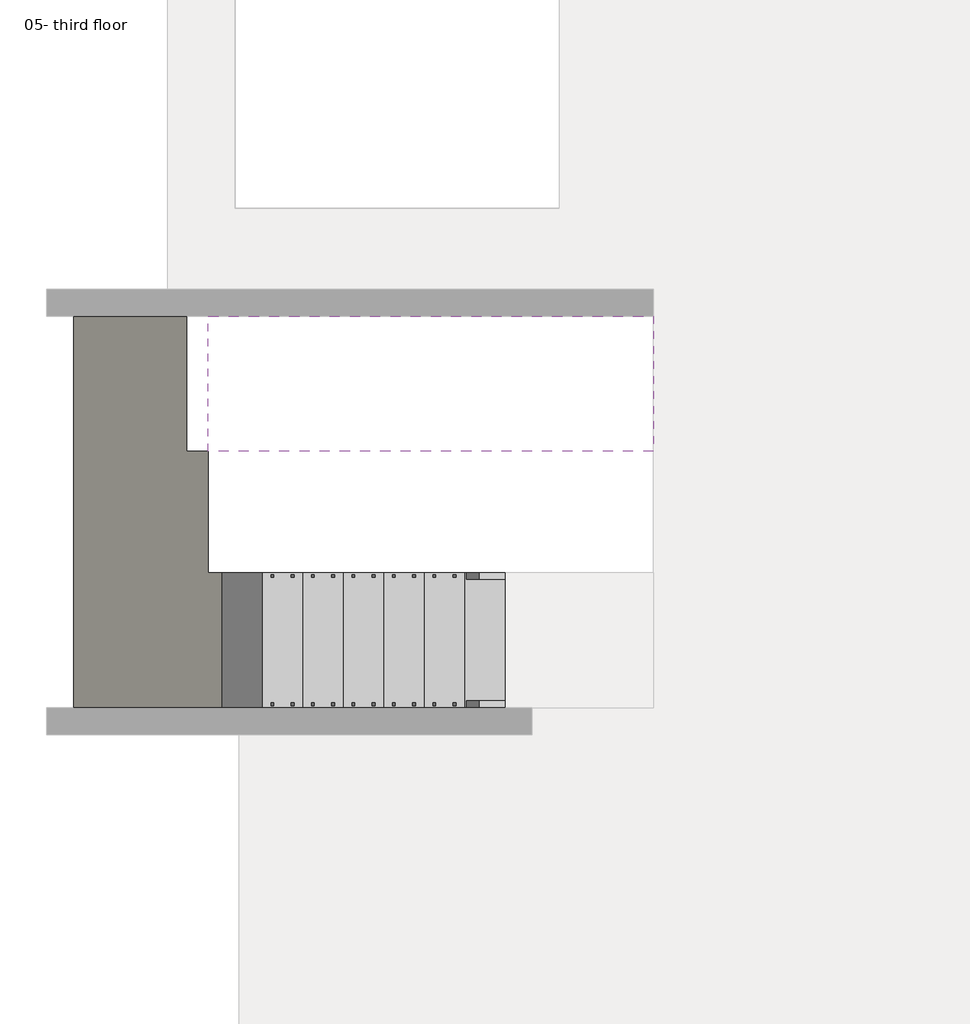
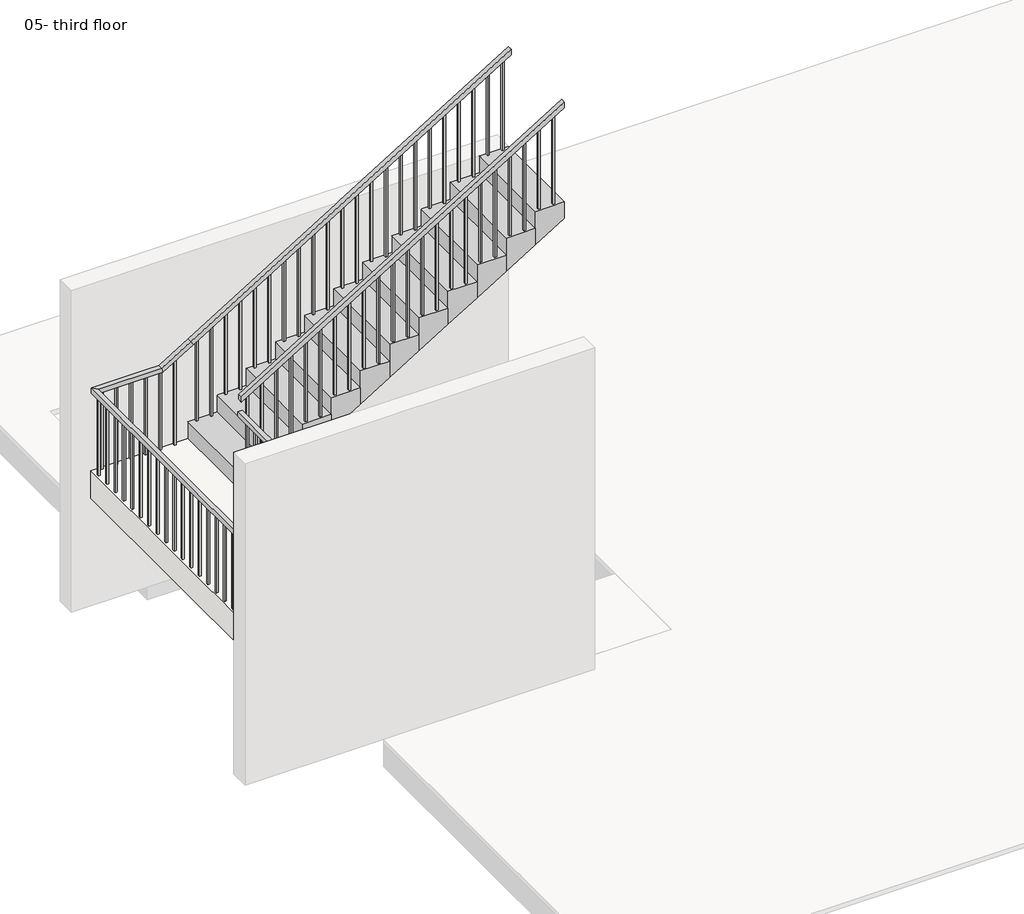
# One storey, part 5 of 5: 2 railings, 2 stair flights, 1 slab.
"""IFC4 building model written with IfcOpenShell, lengths in millimetres."""

from ifc_helpers import new_model, si_unit, frame, origin, place, context, project, spatial, polyline, outline, extrude, faceted_brep, element, save

model = new_model("IFC4")

# Units and contexts
model_context = context("Model", 3, world=origin())
ifc_project = project(units=[si_unit("LENGTHUNIT", "METRE", prefix="MILLI")], contexts=[model_context])

# Site, building, storey
site = spatial("IfcSite", under=ifc_project)
building = spatial("IfcBuilding", under=site)
storey = spatial("IfcBuildingStorey", under=building, Name="05- third floor", Elevation=10500.0)

# Railings
placement = place(None, origin())
element("IfcRailing", 1, ObjectType="900mm", at=placement, inside=storey, context=model_context, shape_type="SolidModel", body=[
    faceted_brep([(2250.0, -5847.2939341, 11584.2105263), (2250.0, -5847.2939341, 11525.5368719), (2250.0, -5797.2939341, 11525.5368719), (2250.0, -5797.2939341, 11584.2105263), (150.0, -5847.2939341, 12873.6842105), (135.8743343, -5847.2939341, 12823.6842105), (135.8743343, -5797.2939341, 12823.6842105), (150.0, -5797.2939341, 12873.6842105), (-0.4, -5847.2939341, 12873.6842105), (-0.4, -5847.2939341, 12823.6842105), (49.6, -5797.2939341, 12823.6842105), (49.6, -5797.2939341, 12873.6842105), (-0.4, -4871.493934, 12873.6842105), (49.6, -4871.493934, 12873.6842105), (49.6, -4871.493934, 12823.6842105), (-0.4, -4871.493934, 12823.6842105)], [[[0, 1, 2, 3]], [[1, 0, 4, 5]], [[2, 1, 5, 6]], [[3, 2, 6, 7]], [[0, 3, 7, 4]], [[5, 4, 8, 9]], [[6, 5, 9, 10]], [[7, 6, 10, 11]], [[4, 7, 11, 8]], [[12, 13, 14, 15]], [[9, 8, 12, 15]], [[10, 9, 15, 14]], [[11, 10, 14, 13]], [[8, 11, 13, 12]]]),
    faceted_brep([(24.6, -4846.493934, 13042.2982456), (24.6, -4846.493934, 12983.6245912), (24.6, -4896.493934, 12983.6245912), (24.6, -4896.493934, 13042.2982456), (3350.0, -4846.493934, 15084.2105263), (3350.0, -4896.493934, 15084.2105263), (3350.0, -4896.493934, 15025.5368719), (3350.0, -4846.493934, 15025.5368719)], [[[0, 1, 2, 3]], [[4, 5, 6, 7]], [[1, 0, 4, 7]], [[2, 1, 7, 6]], [[3, 2, 6, 5]], [[0, 3, 5, 4]]]),
    extrude(outline(polyline([(14957.7473982, 3239.6), (14000.0, 3239.6), (14000.0, 3259.6), (14970.0281, 3259.6), (14957.7473982, 3239.6)])), frame((0.0, -4881.493934, 0.0), z_axis=(0.0, 1.0, 0.0), x_axis=(0.0, 0.0, 1.0)), (0.0, 0.0, 1.0), 20.0),
    extrude(outline(polyline([(14865.6421351, 3089.6), (14000.0, 3089.6), (14000.0, 3109.6), (14877.9228368, 3109.6), (14865.6421351, 3089.6)])), frame((0.0, -4881.493934, 0.0), z_axis=(0.0, 1.0, 0.0), x_axis=(0.0, 0.0, 1.0)), (0.0, 0.0, 1.0), 20.0),
    extrude(outline(polyline([(14773.5368719, 2939.6), (13815.7894737, 2939.6), (13815.7894737, 2959.6), (14785.8175737, 2959.6), (14773.5368719, 2939.6)])), frame((0.0, -4881.493934, 0.0), z_axis=(0.0, 1.0, 0.0), x_axis=(0.0, 0.0, 1.0)), (0.0, 0.0, 1.0), 20.0),
    extrude(outline(polyline([(14681.4316087, 2789.6), (13815.7894737, 2789.6), (13815.7894737, 2809.6), (14693.7123105, 2809.6), (14681.4316087, 2789.6)])), frame((0.0, -4881.493934, 0.0), z_axis=(0.0, 1.0, 0.0), x_axis=(0.0, 0.0, 1.0)), (0.0, 0.0, 1.0), 20.0),
    extrude(outline(polyline([(14589.3263456, 2639.6), (13631.5789474, 2639.6), (13631.5789474, 2659.6), (14601.6070473, 2659.6), (14589.3263456, 2639.6)])), frame((0.0, -4881.493934, 0.0), z_axis=(0.0, 1.0, 0.0), x_axis=(0.0, 0.0, 1.0)), (0.0, 0.0, 1.0), 20.0),
    extrude(outline(polyline([(14497.2210824, 2489.6), (13631.5789474, 2489.6), (13631.5789474, 2509.6), (14509.5017842, 2509.6), (14497.2210824, 2489.6)])), frame((0.0, -4881.493934, 0.0), z_axis=(0.0, 1.0, 0.0), x_axis=(0.0, 0.0, 1.0)), (0.0, 0.0, 1.0), 20.0),
    extrude(outline(polyline([(14405.1158193, 2339.6), (13447.3684211, 2339.6), (13447.3684211, 2359.6), (14417.396521, 2359.6), (14405.1158193, 2339.6)])), frame((0.0, -4881.493934, 0.0), z_axis=(0.0, 1.0, 0.0), x_axis=(0.0, 0.0, 1.0)), (0.0, 0.0, 1.0), 20.0),
    extrude(outline(polyline([(14313.0105561, 2189.6), (13447.3684211, 2189.6), (13447.3684211, 2209.6), (14325.2912579, 2209.6), (14313.0105561, 2189.6)])), frame((0.0, -4881.493934, 0.0), z_axis=(0.0, 1.0, 0.0), x_axis=(0.0, 0.0, 1.0)), (0.0, 0.0, 1.0), 20.0),
    extrude(outline(polyline([(14220.905293, 2039.6), (13263.1578947, 2039.6), (13263.1578947, 2059.6), (14233.1859947, 2059.6), (14220.905293, 2039.6)])), frame((0.0, -4881.493934, 0.0), z_axis=(0.0, 1.0, 0.0), x_axis=(0.0, 0.0, 1.0)), (0.0, 0.0, 1.0), 20.0),
    extrude(outline(polyline([(14128.8000298, 1889.6), (13263.1578947, 1889.6), (13263.1578947, 1909.6), (14141.0807316, 1909.6), (14128.8000298, 1889.6)])), frame((0.0, -4881.493934, 0.0), z_axis=(0.0, 1.0, 0.0), x_axis=(0.0, 0.0, 1.0)), (0.0, 0.0, 1.0), 20.0),
    extrude(outline(polyline([(14036.6947666, 1739.6), (13078.9473684, 1739.6), (13078.9473684, 1759.6), (14048.9754684, 1759.6), (14036.6947666, 1739.6)])), frame((0.0, -4881.493934, 0.0), z_axis=(0.0, 1.0, 0.0), x_axis=(0.0, 0.0, 1.0)), (0.0, 0.0, 1.0), 20.0),
    extrude(outline(polyline([(13944.5895035, 1589.6), (13078.9473684, 1589.6), (13078.9473684, 1609.6), (13956.8702052, 1609.6), (13944.5895035, 1589.6)])), frame((0.0, -4881.493934, 0.0), z_axis=(0.0, 1.0, 0.0), x_axis=(0.0, 0.0, 1.0)), (0.0, 0.0, 1.0), 20.0),
    extrude(outline(polyline([(13852.4842403, 1439.6), (12894.7368421, 1439.6), (12894.7368421, 1459.6), (13864.7649421, 1459.6), (13852.4842403, 1439.6)])), frame((0.0, -4881.493934, 0.0), z_axis=(0.0, 1.0, 0.0), x_axis=(0.0, 0.0, 1.0)), (0.0, 0.0, 1.0), 20.0),
    extrude(outline(polyline([(13760.3789772, 1289.6), (12894.7368421, 1289.6), (12894.7368421, 1309.6), (13772.6596789, 1309.6), (13760.3789772, 1289.6)])), frame((0.0, -4881.493934, 0.0), z_axis=(0.0, 1.0, 0.0), x_axis=(0.0, 0.0, 1.0)), (0.0, 0.0, 1.0), 20.0),
    extrude(outline(polyline([(13668.273714, 1139.6), (12710.5263158, 1139.6), (12710.5263158, 1159.6), (13680.5544158, 1159.6), (13668.273714, 1139.6)])), frame((0.0, -4881.493934, 0.0), z_axis=(0.0, 1.0, 0.0), x_axis=(0.0, 0.0, 1.0)), (0.0, 0.0, 1.0), 20.0),
    extrude(outline(polyline([(13576.1684508, 989.6), (12710.5263158, 989.6), (12710.5263158, 1009.6), (13588.4491526, 1009.6), (13576.1684508, 989.6)])), frame((0.0, -4881.493934, 0.0), z_axis=(0.0, 1.0, 0.0), x_axis=(0.0, 0.0, 1.0)), (0.0, 0.0, 1.0), 20.0),
    extrude(outline(polyline([(13484.0631877, 839.6), (12526.3157895, 839.6), (12526.3157895, 859.6), (13496.3438894, 859.6), (13484.0631877, 839.6)])), frame((0.0, -4881.493934, 0.0), z_axis=(0.0, 1.0, 0.0), x_axis=(0.0, 0.0, 1.0)), (0.0, 0.0, 1.0), 20.0),
    extrude(outline(polyline([(13391.9579245, 689.6), (12526.3157895, 689.6), (12526.3157895, 709.6), (13404.2386263, 709.6), (13391.9579245, 689.6)])), frame((0.0, -4881.493934, 0.0), z_axis=(0.0, 1.0, 0.0), x_axis=(0.0, 0.0, 1.0)), (0.0, 0.0, 1.0), 20.0),
    extrude(outline(polyline([(13299.8526614, 539.6), (12342.1052632, 539.6), (12342.1052632, 559.6), (13312.1333631, 559.6), (13299.8526614, 539.6)])), frame((0.0, -4881.493934, 0.0), z_axis=(0.0, 1.0, 0.0), x_axis=(0.0, 0.0, 1.0)), (0.0, 0.0, 1.0), 20.0),
    extrude(outline(polyline([(13207.7473982, 389.6), (12342.1052632, 389.6), (12342.1052632, 409.6), (13220.0281, 409.6), (13207.7473982, 389.6)])), frame((0.0, -4881.493934, 0.0), z_axis=(0.0, 1.0, 0.0), x_axis=(0.0, 0.0, 1.0)), (0.0, 0.0, 1.0), 20.0),
    extrude(outline(polyline([(13115.6421351, 239.6), (12157.8947368, 239.6), (12157.8947368, 259.6), (13127.9228368, 259.6), (13115.6421351, 239.6)])), frame((0.0, -4881.493934, 0.0), z_axis=(0.0, 1.0, 0.0), x_axis=(0.0, 0.0, 1.0)), (0.0, 0.0, 1.0), 20.0),
    extrude(outline(polyline([(13023.5368719, 89.6), (12157.8947368, 89.6), (12157.8947368, 109.6), (13035.8175737, 109.6), (13023.5368719, 89.6)])), frame((0.0, -4881.493934, 0.0), z_axis=(0.0, 1.0, 0.0), x_axis=(0.0, 0.0, 1.0)), (0.0, 0.0, 1.0), 20.0),
    extrude(outline(polyline([(34.6, -5007.2939341), (14.6, -5007.2939341), (14.6, -4987.2939341), (34.6, -4987.2939341), (34.6, -5007.2939341)])), frame((0.0, 0.0, 11973.6842105), z_axis=(0.0, 0.0, 1.0), x_axis=(1.0, 0.0, 0.0)), (0.0, 0.0, 1.0), 850.0),
    extrude(outline(polyline([(34.6, -5157.2939341), (14.6, -5157.2939341), (14.6, -5137.2939341), (34.6, -5137.2939341), (34.6, -5157.2939341)])), frame((0.0, 0.0, 11973.6842105), z_axis=(0.0, 0.0, 1.0), x_axis=(1.0, 0.0, 0.0)), (0.0, 0.0, 1.0), 850.0),
    extrude(outline(polyline([(34.6, -5307.2939341), (14.6, -5307.2939341), (14.6, -5287.2939341), (34.6, -5287.2939341), (34.6, -5307.2939341)])), frame((0.0, 0.0, 11973.6842105), z_axis=(0.0, 0.0, 1.0), x_axis=(1.0, 0.0, 0.0)), (0.0, 0.0, 1.0), 850.0),
    extrude(outline(polyline([(34.6, -5457.2939341), (14.6, -5457.2939341), (14.6, -5437.2939341), (34.6, -5437.2939341), (34.6, -5457.2939341)])), frame((0.0, 0.0, 11973.6842105), z_axis=(0.0, 0.0, 1.0), x_axis=(1.0, 0.0, 0.0)), (0.0, 0.0, 1.0), 850.0),
    extrude(outline(polyline([(34.6, -5607.2939341), (14.6, -5607.2939341), (14.6, -5587.2939341), (34.6, -5587.2939341), (34.6, -5607.2939341)])), frame((0.0, 0.0, 11973.6842105), z_axis=(0.0, 0.0, 1.0), x_axis=(1.0, 0.0, 0.0)), (0.0, 0.0, 1.0), 850.0),
    extrude(outline(polyline([(34.6, -5757.2939341), (14.6, -5757.2939341), (14.6, -5737.2939341), (34.6, -5737.2939341), (34.6, -5757.2939341)])), frame((0.0, 0.0, 11973.6842105), z_axis=(0.0, 0.0, 1.0), x_axis=(1.0, 0.0, 0.0)), (0.0, 0.0, 1.0), 850.0),
    extrude(outline(polyline([(85.0, -5812.2939341), (85.0, -5832.2939341), (65.0, -5832.2939341), (65.0, -5812.2939341), (85.0, -5812.2939341)])), frame((0.0, 0.0, 11973.6842105), z_axis=(0.0, 0.0, 1.0), x_axis=(1.0, 0.0, 0.0)), (0.0, 0.0, 1.0), 850.0),
    extrude(outline(polyline([(11789.4736842, 235.0), (12762.8175737, 235.0), (12775.0982754, 215.0), (11789.4736842, 215.0), (11789.4736842, 235.0)])), frame((0.0, -5832.2939341, 0.0), z_axis=(0.0, 1.0, 0.0), x_axis=(0.0, 0.0, 1.0)), (0.0, 0.0, 1.0), 20.0),
    extrude(outline(polyline([(11789.4736842, 385.0), (12670.7123105, 385.0), (12682.9930123, 365.0), (11789.4736842, 365.0), (11789.4736842, 385.0)])), frame((0.0, -5832.2939341, 0.0), z_axis=(0.0, 1.0, 0.0), x_axis=(0.0, 0.0, 1.0)), (0.0, 0.0, 1.0), 20.0),
    extrude(outline(polyline([(11605.2631579, 535.0), (12578.6070473, 535.0), (12590.8877491, 515.0), (11605.2631579, 515.0), (11605.2631579, 535.0)])), frame((0.0, -5832.2939341, 0.0), z_axis=(0.0, 1.0, 0.0), x_axis=(0.0, 0.0, 1.0)), (0.0, 0.0, 1.0), 20.0),
    extrude(outline(polyline([(11605.2631579, 685.0), (12486.5017842, 685.0), (12498.7824859, 665.0), (11605.2631579, 665.0), (11605.2631579, 685.0)])), frame((0.0, -5832.2939341, 0.0), z_axis=(0.0, 1.0, 0.0), x_axis=(0.0, 0.0, 1.0)), (0.0, 0.0, 1.0), 20.0),
    extrude(outline(polyline([(11421.0526316, 835.0), (12394.396521, 835.0), (12406.6772228, 815.0), (11421.0526316, 815.0), (11421.0526316, 835.0)])), frame((0.0, -5832.2939341, 0.0), z_axis=(0.0, 1.0, 0.0), x_axis=(0.0, 0.0, 1.0)), (0.0, 0.0, 1.0), 20.0),
    extrude(outline(polyline([(11421.0526316, 985.0), (12302.2912579, 985.0), (12314.5719596, 965.0), (11421.0526316, 965.0), (11421.0526316, 985.0)])), frame((0.0, -5832.2939341, 0.0), z_axis=(0.0, 1.0, 0.0), x_axis=(0.0, 0.0, 1.0)), (0.0, 0.0, 1.0), 20.0),
    extrude(outline(polyline([(11236.8421053, 1135.0), (12210.1859947, 1135.0), (12222.4666965, 1115.0), (11236.8421053, 1115.0), (11236.8421053, 1135.0)])), frame((0.0, -5832.2939341, 0.0), z_axis=(0.0, 1.0, 0.0), x_axis=(0.0, 0.0, 1.0)), (0.0, 0.0, 1.0), 20.0),
    extrude(outline(polyline([(11236.8421053, 1285.0), (12118.0807316, 1285.0), (12130.3614333, 1265.0), (11236.8421053, 1265.0), (11236.8421053, 1285.0)])), frame((0.0, -5832.2939341, 0.0), z_axis=(0.0, 1.0, 0.0), x_axis=(0.0, 0.0, 1.0)), (0.0, 0.0, 1.0), 20.0),
    extrude(outline(polyline([(11052.6315789, 1435.0), (12025.9754684, 1435.0), (12038.2561701, 1415.0), (11052.6315789, 1415.0), (11052.6315789, 1435.0)])), frame((0.0, -5832.2939341, 0.0), z_axis=(0.0, 1.0, 0.0), x_axis=(0.0, 0.0, 1.0)), (0.0, 0.0, 1.0), 20.0),
    extrude(outline(polyline([(11052.6315789, 1585.0), (11933.8702052, 1585.0), (11946.150907, 1565.0), (11052.6315789, 1565.0), (11052.6315789, 1585.0)])), frame((0.0, -5832.2939341, 0.0), z_axis=(0.0, 1.0, 0.0), x_axis=(0.0, 0.0, 1.0)), (0.0, 0.0, 1.0), 20.0),
    extrude(outline(polyline([(10868.4210526, 1735.0), (11841.7649421, 1735.0), (11854.0456438, 1715.0), (10868.4210526, 1715.0), (10868.4210526, 1735.0)])), frame((0.0, -5832.2939341, 0.0), z_axis=(0.0, 1.0, 0.0), x_axis=(0.0, 0.0, 1.0)), (0.0, 0.0, 1.0), 20.0),
    extrude(outline(polyline([(10868.4210526, 1885.0), (11749.6596789, 1885.0), (11761.9403807, 1865.0), (10868.4210526, 1865.0), (10868.4210526, 1885.0)])), frame((0.0, -5832.2939341, 0.0), z_axis=(0.0, 1.0, 0.0), x_axis=(0.0, 0.0, 1.0)), (0.0, 0.0, 1.0), 20.0),
    extrude(outline(polyline([(10684.2105263, 2035.0), (11657.5544158, 2035.0), (11669.8351175, 2015.0), (10684.2105263, 2015.0), (10684.2105263, 2035.0)])), frame((0.0, -5832.2939341, 0.0), z_axis=(0.0, 1.0, 0.0), x_axis=(0.0, 0.0, 1.0)), (0.0, 0.0, 1.0), 20.0),
    extrude(outline(polyline([(10684.2105263, 2185.0), (11565.4491526, 2185.0), (11577.7298544, 2165.0), (10684.2105263, 2165.0), (10684.2105263, 2185.0)])), frame((0.0, -5832.2939341, 0.0), z_axis=(0.0, 1.0, 0.0), x_axis=(0.0, 0.0, 1.0)), (0.0, 0.0, 1.0), 20.0),
])
element("IfcRailing", 2, ObjectType="900mm", at=placement, inside=storey, context=model_context, shape_type="SolidModel", body=[
    faceted_brep([(2250.0, -6796.4939341, 11584.2105263), (2250.0, -6796.4939341, 11525.5368719), (2250.0, -6746.4939341, 11525.5368719), (2250.0, -6746.4939341, 11584.2105263), (150.0, -6796.4939341, 12873.6842105), (135.8743343, -6796.4939341, 12823.6842105), (135.8743343, -6746.4939341, 12823.6842105), (150.0, -6746.4939341, 12873.6842105), (-949.6, -6796.4939341, 12873.6842105), (-949.6, -6796.4939341, 12823.6842105), (-899.6, -6746.4939341, 12823.6842105), (-899.6, -6746.4939341, 12873.6842105), (-949.6, -3897.293934, 12873.6842105), (-949.6, -3897.293934, 12823.6842105), (-899.6, -3947.293934, 12823.6842105), (-899.6, -3947.293934, 12873.6842105), (-250.0, -3897.293934, 12873.6842105), (-235.8743342, -3897.293934, 12823.6842105), (-235.8743342, -3947.293934, 12823.6842105), (-250.0, -3947.293934, 12873.6842105), (50.0, -3897.293934, 13057.8947368), (76.1631517, -3897.293934, 13015.2861756), (76.1631517, -3947.293934, 13015.2861756), (50.0, -3947.293934, 13057.8947368), (3350.0, -3897.293934, 15084.2105263), (3350.0, -3947.293934, 15084.2105263), (3350.0, -3947.293934, 15025.5368719), (3350.0, -3897.293934, 15025.5368719)], [[[0, 1, 2, 3]], [[1, 0, 4, 5]], [[2, 1, 5, 6]], [[3, 2, 6, 7]], [[0, 3, 7, 4]], [[5, 4, 8, 9]], [[6, 5, 9, 10]], [[7, 6, 10, 11]], [[4, 7, 11, 8]], [[9, 8, 12, 13]], [[10, 9, 13, 14]], [[11, 10, 14, 15]], [[8, 11, 15, 12]], [[13, 12, 16, 17]], [[14, 13, 17, 18]], [[15, 14, 18, 19]], [[12, 15, 19, 16]], [[17, 16, 20, 21]], [[18, 17, 21, 22]], [[19, 18, 22, 23]], [[16, 19, 23, 20]], [[24, 25, 26, 27]], [[21, 20, 24, 27]], [[22, 21, 27, 26]], [[23, 22, 26, 25]], [[20, 23, 25, 24]]]),
    extrude(outline(polyline([(14000.0, 3265.0), (14000.0, 3285.0), (14985.6245912, 3285.0), (14973.3438894, 3265.0), (14000.0, 3265.0)])), frame((0.0, -3932.293934, 0.0), z_axis=(0.0, 1.0, 0.0), x_axis=(0.0, 0.0, 1.0)), (0.0, 0.0, 1.0), 20.0),
    extrude(outline(polyline([(14000.0, 3115.0), (14000.0, 3135.0), (14893.519328, 3135.0), (14881.2386263, 3115.0), (14000.0, 3115.0)])), frame((0.0, -3932.293934, 0.0), z_axis=(0.0, 1.0, 0.0), x_axis=(0.0, 0.0, 1.0)), (0.0, 0.0, 1.0), 20.0),
    extrude(outline(polyline([(13815.7894737, 2965.0), (13815.7894737, 2985.0), (14801.4140649, 2985.0), (14789.1333631, 2965.0), (13815.7894737, 2965.0)])), frame((0.0, -3932.293934, 0.0), z_axis=(0.0, 1.0, 0.0), x_axis=(0.0, 0.0, 1.0)), (0.0, 0.0, 1.0), 20.0),
    extrude(outline(polyline([(13815.7894737, 2815.0), (13815.7894737, 2835.0), (14709.3088017, 2835.0), (14697.0281, 2815.0), (13815.7894737, 2815.0)])), frame((0.0, -3932.293934, 0.0), z_axis=(0.0, 1.0, 0.0), x_axis=(0.0, 0.0, 1.0)), (0.0, 0.0, 1.0), 20.0),
    extrude(outline(polyline([(13631.5789474, 2665.0), (13631.5789474, 2685.0), (14617.2035386, 2685.0), (14604.9228368, 2665.0), (13631.5789474, 2665.0)])), frame((0.0, -3932.293934, 0.0), z_axis=(0.0, 1.0, 0.0), x_axis=(0.0, 0.0, 1.0)), (0.0, 0.0, 1.0), 20.0),
    extrude(outline(polyline([(13631.5789474, 2515.0), (13631.5789474, 2535.0), (14525.0982754, 2535.0), (14512.8175737, 2515.0), (13631.5789474, 2515.0)])), frame((0.0, -3932.293934, 0.0), z_axis=(0.0, 1.0, 0.0), x_axis=(0.0, 0.0, 1.0)), (0.0, 0.0, 1.0), 20.0),
    extrude(outline(polyline([(13447.3684211, 2365.0), (13447.3684211, 2385.0), (14432.9930123, 2385.0), (14420.7123105, 2365.0), (13447.3684211, 2365.0)])), frame((0.0, -3932.293934, 0.0), z_axis=(0.0, 1.0, 0.0), x_axis=(0.0, 0.0, 1.0)), (0.0, 0.0, 1.0), 20.0),
    extrude(outline(polyline([(13447.3684211, 2215.0), (13447.3684211, 2235.0), (14340.8877491, 2235.0), (14328.6070473, 2215.0), (13447.3684211, 2215.0)])), frame((0.0, -3932.293934, 0.0), z_axis=(0.0, 1.0, 0.0), x_axis=(0.0, 0.0, 1.0)), (0.0, 0.0, 1.0), 20.0),
    extrude(outline(polyline([(13263.1578947, 2065.0), (13263.1578947, 2085.0), (14248.7824859, 2085.0), (14236.5017842, 2065.0), (13263.1578947, 2065.0)])), frame((0.0, -3932.293934, 0.0), z_axis=(0.0, 1.0, 0.0), x_axis=(0.0, 0.0, 1.0)), (0.0, 0.0, 1.0), 20.0),
    extrude(outline(polyline([(13263.1578947, 1915.0), (13263.1578947, 1935.0), (14156.6772228, 1935.0), (14144.396521, 1915.0), (13263.1578947, 1915.0)])), frame((0.0, -3932.293934, 0.0), z_axis=(0.0, 1.0, 0.0), x_axis=(0.0, 0.0, 1.0)), (0.0, 0.0, 1.0), 20.0),
    extrude(outline(polyline([(13078.9473684, 1765.0), (13078.9473684, 1785.0), (14064.5719596, 1785.0), (14052.2912579, 1765.0), (13078.9473684, 1765.0)])), frame((0.0, -3932.293934, 0.0), z_axis=(0.0, 1.0, 0.0), x_axis=(0.0, 0.0, 1.0)), (0.0, 0.0, 1.0), 20.0),
    extrude(outline(polyline([(13078.9473684, 1615.0), (13078.9473684, 1635.0), (13972.4666965, 1635.0), (13960.1859947, 1615.0), (13078.9473684, 1615.0)])), frame((0.0, -3932.293934, 0.0), z_axis=(0.0, 1.0, 0.0), x_axis=(0.0, 0.0, 1.0)), (0.0, 0.0, 1.0), 20.0),
    extrude(outline(polyline([(12894.7368421, 1465.0), (12894.7368421, 1485.0), (13880.3614333, 1485.0), (13868.0807316, 1465.0), (12894.7368421, 1465.0)])), frame((0.0, -3932.293934, 0.0), z_axis=(0.0, 1.0, 0.0), x_axis=(0.0, 0.0, 1.0)), (0.0, 0.0, 1.0), 20.0),
    extrude(outline(polyline([(12894.7368421, 1315.0), (12894.7368421, 1335.0), (13788.2561701, 1335.0), (13775.9754684, 1315.0), (12894.7368421, 1315.0)])), frame((0.0, -3932.293934, 0.0), z_axis=(0.0, 1.0, 0.0), x_axis=(0.0, 0.0, 1.0)), (0.0, 0.0, 1.0), 20.0),
    extrude(outline(polyline([(12710.5263158, 1165.0), (12710.5263158, 1185.0), (13696.150907, 1185.0), (13683.8702052, 1165.0), (12710.5263158, 1165.0)])), frame((0.0, -3932.293934, 0.0), z_axis=(0.0, 1.0, 0.0), x_axis=(0.0, 0.0, 1.0)), (0.0, 0.0, 1.0), 20.0),
    extrude(outline(polyline([(12710.5263158, 1015.0), (12710.5263158, 1035.0), (13604.0456438, 1035.0), (13591.7649421, 1015.0), (12710.5263158, 1015.0)])), frame((0.0, -3932.293934, 0.0), z_axis=(0.0, 1.0, 0.0), x_axis=(0.0, 0.0, 1.0)), (0.0, 0.0, 1.0), 20.0),
    extrude(outline(polyline([(12526.3157895, 865.0), (12526.3157895, 885.0), (13511.9403807, 885.0), (13499.6596789, 865.0), (12526.3157895, 865.0)])), frame((0.0, -3932.293934, 0.0), z_axis=(0.0, 1.0, 0.0), x_axis=(0.0, 0.0, 1.0)), (0.0, 0.0, 1.0), 20.0),
    extrude(outline(polyline([(12526.3157895, 715.0), (12526.3157895, 735.0), (13419.8351175, 735.0), (13407.5544158, 715.0), (12526.3157895, 715.0)])), frame((0.0, -3932.293934, 0.0), z_axis=(0.0, 1.0, 0.0), x_axis=(0.0, 0.0, 1.0)), (0.0, 0.0, 1.0), 20.0),
    extrude(outline(polyline([(12342.1052632, 565.0), (12342.1052632, 585.0), (13327.7298544, 585.0), (13315.4491526, 565.0), (12342.1052632, 565.0)])), frame((0.0, -3932.293934, 0.0), z_axis=(0.0, 1.0, 0.0), x_axis=(0.0, 0.0, 1.0)), (0.0, 0.0, 1.0), 20.0),
    extrude(outline(polyline([(12342.1052632, 415.0), (12342.1052632, 435.0), (13235.6245912, 435.0), (13223.3438894, 415.0), (12342.1052632, 415.0)])), frame((0.0, -3932.293934, 0.0), z_axis=(0.0, 1.0, 0.0), x_axis=(0.0, 0.0, 1.0)), (0.0, 0.0, 1.0), 20.0),
    extrude(outline(polyline([(12157.8947368, 265.0), (12157.8947368, 285.0), (13143.519328, 285.0), (13131.2386263, 265.0), (12157.8947368, 265.0)])), frame((0.0, -3932.293934, 0.0), z_axis=(0.0, 1.0, 0.0), x_axis=(0.0, 0.0, 1.0)), (0.0, 0.0, 1.0), 20.0),
    extrude(outline(polyline([(12157.8947368, 115.0), (12157.8947368, 135.0), (13051.4140649, 135.0), (13039.1333631, 115.0), (12157.8947368, 115.0)])), frame((0.0, -3932.293934, 0.0), z_axis=(0.0, 1.0, 0.0), x_axis=(0.0, 0.0, 1.0)), (0.0, 0.0, 1.0), 20.0),
    extrude(outline(polyline([(11973.6842105, -109.6), (11973.6842105, -89.6), (12913.5017842, -89.6), (12901.2210824, -109.6), (11973.6842105, -109.6)])), frame((0.0, -3932.293934, 0.0), z_axis=(0.0, 1.0, 0.0), x_axis=(0.0, 0.0, 1.0)), (0.0, 0.0, 1.0), 20.0),
    extrude(outline(polyline([(11973.6842105, -259.6), (11973.6842105, -239.6), (12821.396521, -239.6), (12809.1158193, -259.6), (11973.6842105, -259.6)])), frame((0.0, -3932.293934, 0.0), z_axis=(0.0, 1.0, 0.0), x_axis=(0.0, 0.0, 1.0)), (0.0, 0.0, 1.0), 20.0),
    extrude(outline(polyline([(-409.6, -3912.293934), (-389.6, -3912.293934), (-389.6, -3932.293934), (-409.6, -3932.293934), (-409.6, -3912.293934)])), frame((0.0, 0.0, 11973.6842105), z_axis=(0.0, 0.0, 1.0), x_axis=(1.0, 0.0, 0.0)), (0.0, 0.0, 1.0), 850.0),
    extrude(outline(polyline([(-559.6, -3912.293934), (-539.6, -3912.293934), (-539.6, -3932.293934), (-559.6, -3932.293934), (-559.6, -3912.293934)])), frame((0.0, 0.0, 11973.6842105), z_axis=(0.0, 0.0, 1.0), x_axis=(1.0, 0.0, 0.0)), (0.0, 0.0, 1.0), 850.0),
    extrude(outline(polyline([(-709.6, -3912.293934), (-689.6, -3912.293934), (-689.6, -3932.293934), (-709.6, -3932.293934), (-709.6, -3912.293934)])), frame((0.0, 0.0, 11973.6842105), z_axis=(0.0, 0.0, 1.0), x_axis=(1.0, 0.0, 0.0)), (0.0, 0.0, 1.0), 850.0),
    extrude(outline(polyline([(-859.6, -3912.293934), (-839.6, -3912.293934), (-839.6, -3932.293934), (-859.6, -3932.293934), (-859.6, -3912.293934)])), frame((0.0, 0.0, 11973.6842105), z_axis=(0.0, 0.0, 1.0), x_axis=(1.0, 0.0, 0.0)), (0.0, 0.0, 1.0), 850.0),
    extrude(outline(polyline([(-934.6, -4006.4939341), (-934.6, -3986.4939341), (-914.6, -3986.4939341), (-914.6, -4006.4939341), (-934.6, -4006.4939341)])), frame((0.0, 0.0, 11973.6842105), z_axis=(0.0, 0.0, 1.0), x_axis=(1.0, 0.0, 0.0)), (0.0, 0.0, 1.0), 850.0),
    extrude(outline(polyline([(-934.6, -4156.4939341), (-934.6, -4136.4939341), (-914.6, -4136.4939341), (-914.6, -4156.4939341), (-934.6, -4156.4939341)])), frame((0.0, 0.0, 11973.6842105), z_axis=(0.0, 0.0, 1.0), x_axis=(1.0, 0.0, 0.0)), (0.0, 0.0, 1.0), 850.0),
    extrude(outline(polyline([(-934.6, -4306.4939341), (-934.6, -4286.4939341), (-914.6, -4286.4939341), (-914.6, -4306.4939341), (-934.6, -4306.4939341)])), frame((0.0, 0.0, 11973.6842105), z_axis=(0.0, 0.0, 1.0), x_axis=(1.0, 0.0, 0.0)), (0.0, 0.0, 1.0), 850.0),
    extrude(outline(polyline([(-934.6, -4456.4939341), (-934.6, -4436.4939341), (-914.6, -4436.4939341), (-914.6, -4456.4939341), (-934.6, -4456.4939341)])), frame((0.0, 0.0, 11973.6842105), z_axis=(0.0, 0.0, 1.0), x_axis=(1.0, 0.0, 0.0)), (0.0, 0.0, 1.0), 850.0),
    extrude(outline(polyline([(-934.6, -4606.4939341), (-934.6, -4586.4939341), (-914.6, -4586.4939341), (-914.6, -4606.4939341), (-934.6, -4606.4939341)])), frame((0.0, 0.0, 11973.6842105), z_axis=(0.0, 0.0, 1.0), x_axis=(1.0, 0.0, 0.0)), (0.0, 0.0, 1.0), 850.0),
    extrude(outline(polyline([(-934.6, -4756.4939341), (-934.6, -4736.4939341), (-914.6, -4736.4939341), (-914.6, -4756.4939341), (-934.6, -4756.4939341)])), frame((0.0, 0.0, 11973.6842105), z_axis=(0.0, 0.0, 1.0), x_axis=(1.0, 0.0, 0.0)), (0.0, 0.0, 1.0), 850.0),
    extrude(outline(polyline([(-934.6, -4906.4939341), (-934.6, -4886.4939341), (-914.6, -4886.4939341), (-914.6, -4906.4939341), (-934.6, -4906.4939341)])), frame((0.0, 0.0, 11973.6842105), z_axis=(0.0, 0.0, 1.0), x_axis=(1.0, 0.0, 0.0)), (0.0, 0.0, 1.0), 850.0),
    extrude(outline(polyline([(-934.6, -5056.4939341), (-934.6, -5036.4939341), (-914.6, -5036.4939341), (-914.6, -5056.4939341), (-934.6, -5056.4939341)])), frame((0.0, 0.0, 11973.6842105), z_axis=(0.0, 0.0, 1.0), x_axis=(1.0, 0.0, 0.0)), (0.0, 0.0, 1.0), 850.0),
    extrude(outline(polyline([(-934.6, -5206.4939341), (-934.6, -5186.4939341), (-914.6, -5186.4939341), (-914.6, -5206.4939341), (-934.6, -5206.4939341)])), frame((0.0, 0.0, 11973.6842105), z_axis=(0.0, 0.0, 1.0), x_axis=(1.0, 0.0, 0.0)), (0.0, 0.0, 1.0), 850.0),
    extrude(outline(polyline([(-934.6, -5356.4939341), (-934.6, -5336.4939341), (-914.6, -5336.4939341), (-914.6, -5356.4939341), (-934.6, -5356.4939341)])), frame((0.0, 0.0, 11973.6842105), z_axis=(0.0, 0.0, 1.0), x_axis=(1.0, 0.0, 0.0)), (0.0, 0.0, 1.0), 850.0),
    extrude(outline(polyline([(-934.6, -5506.4939341), (-934.6, -5486.4939341), (-914.6, -5486.4939341), (-914.6, -5506.4939341), (-934.6, -5506.4939341)])), frame((0.0, 0.0, 11973.6842105), z_axis=(0.0, 0.0, 1.0), x_axis=(1.0, 0.0, 0.0)), (0.0, 0.0, 1.0), 850.0),
    extrude(outline(polyline([(-934.6, -5656.4939341), (-934.6, -5636.4939341), (-914.6, -5636.4939341), (-914.6, -5656.4939341), (-934.6, -5656.4939341)])), frame((0.0, 0.0, 11973.6842105), z_axis=(0.0, 0.0, 1.0), x_axis=(1.0, 0.0, 0.0)), (0.0, 0.0, 1.0), 850.0),
    extrude(outline(polyline([(-934.6, -5806.4939341), (-934.6, -5786.4939341), (-914.6, -5786.4939341), (-914.6, -5806.4939341), (-934.6, -5806.4939341)])), frame((0.0, 0.0, 11973.6842105), z_axis=(0.0, 0.0, 1.0), x_axis=(1.0, 0.0, 0.0)), (0.0, 0.0, 1.0), 850.0),
    extrude(outline(polyline([(-934.6, -5956.4939341), (-934.6, -5936.4939341), (-914.6, -5936.4939341), (-914.6, -5956.4939341), (-934.6, -5956.4939341)])), frame((0.0, 0.0, 11973.6842105), z_axis=(0.0, 0.0, 1.0), x_axis=(1.0, 0.0, 0.0)), (0.0, 0.0, 1.0), 850.0),
    extrude(outline(polyline([(-934.6, -6106.4939341), (-934.6, -6086.4939341), (-914.6, -6086.4939341), (-914.6, -6106.4939341), (-934.6, -6106.4939341)])), frame((0.0, 0.0, 11973.6842105), z_axis=(0.0, 0.0, 1.0), x_axis=(1.0, 0.0, 0.0)), (0.0, 0.0, 1.0), 850.0),
    extrude(outline(polyline([(-934.6, -6256.4939341), (-934.6, -6236.4939341), (-914.6, -6236.4939341), (-914.6, -6256.4939341), (-934.6, -6256.4939341)])), frame((0.0, 0.0, 11973.6842105), z_axis=(0.0, 0.0, 1.0), x_axis=(1.0, 0.0, 0.0)), (0.0, 0.0, 1.0), 850.0),
    extrude(outline(polyline([(-934.6, -6406.4939341), (-934.6, -6386.4939341), (-914.6, -6386.4939341), (-914.6, -6406.4939341), (-934.6, -6406.4939341)])), frame((0.0, 0.0, 11973.6842105), z_axis=(0.0, 0.0, 1.0), x_axis=(1.0, 0.0, 0.0)), (0.0, 0.0, 1.0), 850.0),
    extrude(outline(polyline([(-934.6, -6556.4939341), (-934.6, -6536.4939341), (-914.6, -6536.4939341), (-914.6, -6556.4939341), (-934.6, -6556.4939341)])), frame((0.0, 0.0, 11973.6842105), z_axis=(0.0, 0.0, 1.0), x_axis=(1.0, 0.0, 0.0)), (0.0, 0.0, 1.0), 850.0),
    extrude(outline(polyline([(-934.6, -6706.4939341), (-934.6, -6686.4939341), (-914.6, -6686.4939341), (-914.6, -6706.4939341), (-934.6, -6706.4939341)])), frame((0.0, 0.0, 11973.6842105), z_axis=(0.0, 0.0, 1.0), x_axis=(1.0, 0.0, 0.0)), (0.0, 0.0, 1.0), 850.0),
    extrude(outline(polyline([(-815.0, -6781.4939341), (-835.0, -6781.4939341), (-835.0, -6761.4939341), (-815.0, -6761.4939341), (-815.0, -6781.4939341)])), frame((0.0, 0.0, 11973.6842105), z_axis=(0.0, 0.0, 1.0), x_axis=(1.0, 0.0, 0.0)), (0.0, 0.0, 1.0), 850.0),
    extrude(outline(polyline([(-665.0, -6781.4939341), (-685.0, -6781.4939341), (-685.0, -6761.4939341), (-665.0, -6761.4939341), (-665.0, -6781.4939341)])), frame((0.0, 0.0, 11973.6842105), z_axis=(0.0, 0.0, 1.0), x_axis=(1.0, 0.0, 0.0)), (0.0, 0.0, 1.0), 850.0),
    extrude(outline(polyline([(-515.0, -6781.4939341), (-535.0, -6781.4939341), (-535.0, -6761.4939341), (-515.0, -6761.4939341), (-515.0, -6781.4939341)])), frame((0.0, 0.0, 11973.6842105), z_axis=(0.0, 0.0, 1.0), x_axis=(1.0, 0.0, 0.0)), (0.0, 0.0, 1.0), 850.0),
    extrude(outline(polyline([(-365.0, -6781.4939341), (-385.0, -6781.4939341), (-385.0, -6761.4939341), (-365.0, -6761.4939341), (-365.0, -6781.4939341)])), frame((0.0, 0.0, 11973.6842105), z_axis=(0.0, 0.0, 1.0), x_axis=(1.0, 0.0, 0.0)), (0.0, 0.0, 1.0), 850.0),
    extrude(outline(polyline([(-215.0, -6781.4939341), (-235.0, -6781.4939341), (-235.0, -6761.4939341), (-215.0, -6761.4939341), (-215.0, -6781.4939341)])), frame((0.0, 0.0, 11973.6842105), z_axis=(0.0, 0.0, 1.0), x_axis=(1.0, 0.0, 0.0)), (0.0, 0.0, 1.0), 850.0),
    extrude(outline(polyline([(-65.0, -6781.4939341), (-85.0, -6781.4939341), (-85.0, -6761.4939341), (-65.0, -6761.4939341), (-65.0, -6781.4939341)])), frame((0.0, 0.0, 11973.6842105), z_axis=(0.0, 0.0, 1.0), x_axis=(1.0, 0.0, 0.0)), (0.0, 0.0, 1.0), 850.0),
    extrude(outline(polyline([(85.0, -6781.4939341), (65.0, -6781.4939341), (65.0, -6761.4939341), (85.0, -6761.4939341), (85.0, -6781.4939341)])), frame((0.0, 0.0, 11973.6842105), z_axis=(0.0, 0.0, 1.0), x_axis=(1.0, 0.0, 0.0)), (0.0, 0.0, 1.0), 850.0),
    extrude(outline(polyline([(12762.8175737, 235.0), (12775.0982754, 215.0), (11789.4736842, 215.0), (11789.4736842, 235.0), (12762.8175737, 235.0)])), frame((0.0, -6781.4939341, 0.0), z_axis=(0.0, 1.0, 0.0), x_axis=(0.0, 0.0, 1.0)), (0.0, 0.0, 1.0), 20.0),
    extrude(outline(polyline([(12670.7123105, 385.0), (12682.9930123, 365.0), (11789.4736842, 365.0), (11789.4736842, 385.0), (12670.7123105, 385.0)])), frame((0.0, -6781.4939341, 0.0), z_axis=(0.0, 1.0, 0.0), x_axis=(0.0, 0.0, 1.0)), (0.0, 0.0, 1.0), 20.0),
    extrude(outline(polyline([(12578.6070473, 535.0), (12590.8877491, 515.0), (11605.2631579, 515.0), (11605.2631579, 535.0), (12578.6070473, 535.0)])), frame((0.0, -6781.4939341, 0.0), z_axis=(0.0, 1.0, 0.0), x_axis=(0.0, 0.0, 1.0)), (0.0, 0.0, 1.0), 20.0),
    extrude(outline(polyline([(12486.5017842, 685.0), (12498.7824859, 665.0), (11605.2631579, 665.0), (11605.2631579, 685.0), (12486.5017842, 685.0)])), frame((0.0, -6781.4939341, 0.0), z_axis=(0.0, 1.0, 0.0), x_axis=(0.0, 0.0, 1.0)), (0.0, 0.0, 1.0), 20.0),
    extrude(outline(polyline([(12394.396521, 835.0), (12406.6772228, 815.0), (11421.0526316, 815.0), (11421.0526316, 835.0), (12394.396521, 835.0)])), frame((0.0, -6781.4939341, 0.0), z_axis=(0.0, 1.0, 0.0), x_axis=(0.0, 0.0, 1.0)), (0.0, 0.0, 1.0), 20.0),
    extrude(outline(polyline([(12302.2912579, 985.0), (12314.5719596, 965.0), (11421.0526316, 965.0), (11421.0526316, 985.0), (12302.2912579, 985.0)])), frame((0.0, -6781.4939341, 0.0), z_axis=(0.0, 1.0, 0.0), x_axis=(0.0, 0.0, 1.0)), (0.0, 0.0, 1.0), 20.0),
    extrude(outline(polyline([(12210.1859947, 1135.0), (12222.4666965, 1115.0), (11236.8421053, 1115.0), (11236.8421053, 1135.0), (12210.1859947, 1135.0)])), frame((0.0, -6781.4939341, 0.0), z_axis=(0.0, 1.0, 0.0), x_axis=(0.0, 0.0, 1.0)), (0.0, 0.0, 1.0), 20.0),
    extrude(outline(polyline([(12118.0807316, 1285.0), (12130.3614333, 1265.0), (11236.8421053, 1265.0), (11236.8421053, 1285.0), (12118.0807316, 1285.0)])), frame((0.0, -6781.4939341, 0.0), z_axis=(0.0, 1.0, 0.0), x_axis=(0.0, 0.0, 1.0)), (0.0, 0.0, 1.0), 20.0),
    extrude(outline(polyline([(12025.9754684, 1435.0), (12038.2561701, 1415.0), (11052.6315789, 1415.0), (11052.6315789, 1435.0), (12025.9754684, 1435.0)])), frame((0.0, -6781.4939341, 0.0), z_axis=(0.0, 1.0, 0.0), x_axis=(0.0, 0.0, 1.0)), (0.0, 0.0, 1.0), 20.0),
    extrude(outline(polyline([(11933.8702052, 1585.0), (11946.150907, 1565.0), (11052.6315789, 1565.0), (11052.6315789, 1585.0), (11933.8702052, 1585.0)])), frame((0.0, -6781.4939341, 0.0), z_axis=(0.0, 1.0, 0.0), x_axis=(0.0, 0.0, 1.0)), (0.0, 0.0, 1.0), 20.0),
    extrude(outline(polyline([(11841.7649421, 1735.0), (11854.0456438, 1715.0), (10868.4210526, 1715.0), (10868.4210526, 1735.0), (11841.7649421, 1735.0)])), frame((0.0, -6781.4939341, 0.0), z_axis=(0.0, 1.0, 0.0), x_axis=(0.0, 0.0, 1.0)), (0.0, 0.0, 1.0), 20.0),
    extrude(outline(polyline([(11749.6596789, 1885.0), (11761.9403807, 1865.0), (10868.4210526, 1865.0), (10868.4210526, 1885.0), (11749.6596789, 1885.0)])), frame((0.0, -6781.4939341, 0.0), z_axis=(0.0, 1.0, 0.0), x_axis=(0.0, 0.0, 1.0)), (0.0, 0.0, 1.0), 20.0),
    extrude(outline(polyline([(11657.5544158, 2035.0), (11669.8351175, 2015.0), (10684.2105263, 2015.0), (10684.2105263, 2035.0), (11657.5544158, 2035.0)])), frame((0.0, -6781.4939341, 0.0), z_axis=(0.0, 1.0, 0.0), x_axis=(0.0, 0.0, 1.0)), (0.0, 0.0, 1.0), 20.0),
    extrude(outline(polyline([(11565.4491526, 2185.0), (11577.7298544, 2165.0), (10684.2105263, 2165.0), (10684.2105263, 2185.0), (11565.4491526, 2185.0)])), frame((0.0, -6781.4939341, 0.0), z_axis=(0.0, 1.0, 0.0), x_axis=(0.0, 0.0, 1.0)), (0.0, 0.0, 1.0), 20.0),
])

# Slab
element("IfcSlab", 3, at=placement, inside=storey, context=model_context, shape_type="Brep", body=[
    faceted_brep([(150.0, -6796.8939341, 11973.6842105), (150.0, -5796.8939341, 11973.6842105), (51.908717, -5796.8939341, 11973.6842105), (50.0, -5796.8939341, 11973.6842105), (50.0, -4896.893934, 11973.6842105), (50.0, -3896.893934, 11973.6842105), (-151.908717, -3896.893934, 11973.6842105), (-950.0, -3896.893934, 11973.6842105), (-950.0, -6796.8939341, 11973.6842105), (51.908717, -6796.8939341, 11973.6842105), (150.0, -6796.8939341, 11789.4736842), (150.0, -6796.8939341, 11613.452721), (150.0, -5796.8939341, 11613.452721), (150.0, -5796.8939341, 11789.4736842), (51.908717, -5796.8939341, 11673.6842105), (50.0, -5796.8939341, 11673.6842105), (50.0, -4896.893934, 11673.6842105), (50.0, -4896.893934, 11797.6632473), (50.0, -3896.893934, 11797.6632473), (-151.908717, -3896.893934, 11673.6842105), (-950.0, -3896.893934, 11673.6842105), (-950.0, -6796.8939341, 11673.6842105), (51.908717, -6796.8939341, 11673.6842105), (-151.908717, -4896.893934, 11673.6842105)], [[[0, 1, 2, 3, 4, 5, 6, 7, 8, 9]], [[1, 0, 10, 11, 12, 13]], [[1, 13, 12, 14, 15, 3, 2]], [[4, 3, 15, 16, 17]], [[5, 4, 17, 18]], [[5, 18, 19, 20, 7, 6]], [[8, 7, 20, 21]], [[11, 10, 0, 9, 8, 21, 22]], [[23, 16, 15, 14, 22, 21, 20, 19]], [[16, 23, 17]], [[22, 14, 12, 11]], [[23, 19, 18, 17]]]),
])

# Stair flights
element("IfcStairFlight", 4, ObjectType="Nez de marche 25 mm", at=placement, inside=storey, context=model_context, shape_type="Brep", body=[
    faceted_brep([(1950.0, -6796.8939341, 10684.2105263), (2250.0, -6796.8939341, 10684.2105263), (2250.0, -5796.8939341, 10684.2105263), (1950.0, -5796.8939341, 10684.2105263), (1950.0, -6796.8939341, 10508.1895631), (1963.3372884, -6796.8939341, 10500.0), (2250.0, -6796.8939341, 10500.0), (2250.0, -5796.8939341, 10500.0), (1963.3372884, -5796.8939341, 10500.0), (1950.0, -5796.8939341, 10508.1895631), (1650.0, -6796.8939341, 10868.4210526), (1950.0, -6796.8939341, 10868.4210526), (1950.0, -5796.8939341, 10868.4210526), (1650.0, -5796.8939341, 10868.4210526), (1650.0, -6796.8939341, 10692.4000894), (1650.0, -5796.8939341, 10692.4000894), (1350.0, -6796.8939341, 11052.6315789), (1650.0, -6796.8939341, 11052.6315789), (1650.0, -5796.8939341, 11052.6315789), (1350.0, -5796.8939341, 11052.6315789), (1350.0, -6796.8939341, 10876.6106157), (1350.0, -5796.8939341, 10876.6106157), (1050.0, -6796.8939341, 11236.8421053), (1350.0, -6796.8939341, 11236.8421053), (1350.0, -5796.8939341, 11236.8421053), (1050.0, -5796.8939341, 11236.8421053), (1050.0, -6796.8939341, 11060.821142), (1050.0, -5796.8939341, 11060.821142), (750.0, -6796.8939341, 11421.0526316), (1050.0, -6796.8939341, 11421.0526316), (1050.0, -5796.8939341, 11421.0526316), (750.0, -5796.8939341, 11421.0526316), (750.0, -6796.8939341, 11245.0316683), (750.0, -5796.8939341, 11245.0316683), (450.0, -6796.8939341, 11605.2631579), (750.0, -6796.8939341, 11605.2631579), (750.0, -5796.8939341, 11605.2631579), (450.0, -5796.8939341, 11605.2631579), (450.0, -6796.8939341, 11429.2421947), (450.0, -5796.8939341, 11429.2421947), (150.0, -6796.8939341, 11613.452721), (150.0, -5796.8939341, 11613.452721), (150.0, -6796.8939341, 11789.4736842), (450.0, -6796.8939341, 11789.4736842), (450.0, -5796.8939341, 11789.4736842), (150.0, -5796.8939341, 11789.4736842)], [[[0, 1, 2, 3]], [[1, 0, 4, 5, 6]], [[2, 1, 6, 7]], [[3, 2, 7, 8, 9]], [[10, 11, 12, 13]], [[11, 10, 14, 4, 0]], [[0, 3, 12, 11]], [[13, 12, 3, 9, 15]], [[16, 17, 18, 19]], [[17, 16, 20, 14, 10]], [[10, 13, 18, 17]], [[19, 18, 13, 15, 21]], [[22, 23, 24, 25]], [[23, 22, 26, 20, 16]], [[16, 19, 24, 23]], [[25, 24, 19, 21, 27]], [[28, 29, 30, 31]], [[29, 28, 32, 26, 22]], [[22, 25, 30, 29]], [[31, 30, 25, 27, 33]], [[34, 35, 36, 37]], [[35, 34, 38, 32, 28]], [[28, 31, 36, 35]], [[37, 36, 31, 33, 39]], [[7, 6, 5, 8]], [[8, 5, 4, 14, 20, 26, 32, 38, 40, 41, 39, 33, 27, 21, 15, 9]], [[42, 43, 44, 45]], [[43, 42, 40, 38, 34]], [[34, 37, 44, 43]], [[45, 44, 37, 39, 41]], [[42, 45, 41, 40]]]),
])
element("IfcStairFlight", 5, ObjectType="Nez de marche 25 mm", at=placement, inside=storey, context=model_context, shape_type="Brep", body=[
    faceted_brep([(350.0, -3896.893934, 12157.8947368), (50.0, -3896.893934, 12157.8947368), (50.0, -4896.893934, 12157.8947368), (350.0, -4896.893934, 12157.8947368), (350.0, -3896.893934, 11981.8737736), (50.0, -3896.893934, 11797.6632473), (50.0, -3896.893934, 11973.6842105), (50.0, -4896.893934, 11797.6632473), (350.0, -4896.893934, 11981.8737736), (650.0, -3896.893934, 12342.1052632), (350.0, -3896.893934, 12342.1052632), (350.0, -4896.893934, 12342.1052632), (650.0, -4896.893934, 12342.1052632), (650.0, -3896.893934, 12166.0842999), (650.0, -4896.893934, 12166.0842999), (950.0, -3896.893934, 12526.3157895), (650.0, -3896.893934, 12526.3157895), (650.0, -4896.893934, 12526.3157895), (950.0, -4896.893934, 12526.3157895), (950.0, -3896.893934, 12350.2948262), (950.0, -4896.893934, 12350.2948262), (1250.0, -3896.893934, 12710.5263158), (950.0, -3896.893934, 12710.5263158), (950.0, -4896.893934, 12710.5263158), (1250.0, -4896.893934, 12710.5263158), (1250.0, -3896.893934, 12534.5053525), (1250.0, -4896.893934, 12534.5053525), (1550.0, -3896.893934, 12894.7368421), (1250.0, -3896.893934, 12894.7368421), (1250.0, -4896.893934, 12894.7368421), (1550.0, -4896.893934, 12894.7368421), (1550.0, -3896.893934, 12718.7158789), (1550.0, -4896.893934, 12718.7158789), (1850.0, -3896.893934, 13078.9473684), (1550.0, -3896.893934, 13078.9473684), (1550.0, -4896.893934, 13078.9473684), (1850.0, -4896.893934, 13078.9473684), (1850.0, -3896.893934, 12902.9264052), (1850.0, -4896.893934, 12902.9264052), (2150.0, -3896.893934, 13263.1578947), (1850.0, -3896.893934, 13263.1578947), (1850.0, -4896.893934, 13263.1578947), (2150.0, -4896.893934, 13263.1578947), (2150.0, -3896.893934, 13087.1369315), (2150.0, -4896.893934, 13087.1369315), (2450.0, -3896.893934, 13447.3684211), (2150.0, -3896.893934, 13447.3684211), (2150.0, -4896.893934, 13447.3684211), (2450.0, -4896.893934, 13447.3684211), (2450.0, -3896.893934, 13271.3474578), (2450.0, -4896.893934, 13271.3474578), (2750.0, -3896.893934, 13631.5789474), (2450.0, -3896.893934, 13631.5789474), (2450.0, -4896.893934, 13631.5789474), (2750.0, -4896.893934, 13631.5789474), (2750.0, -3896.893934, 13455.5579841), (2750.0, -4896.893934, 13455.5579841), (3050.0, -3896.893934, 13815.7894737), (2750.0, -3896.893934, 13815.7894737), (2750.0, -4896.893934, 13815.7894737), (3050.0, -4896.893934, 13815.7894737), (3050.0, -3896.893934, 13639.7685104), (3050.0, -4896.893934, 13639.7685104), (3350.0, -3896.893934, 13823.9790368), (3350.0, -4896.893934, 13823.9790368), (3350.0, -3896.893934, 14000.0), (3050.0, -3896.893934, 14000.0), (3050.0, -4896.893934, 14000.0), (3350.0, -4896.893934, 14000.0)], [[[0, 1, 2, 3]], [[1, 0, 4, 5, 6]], [[2, 1, 6, 5, 7]], [[3, 2, 7, 8]], [[9, 10, 11, 12]], [[10, 9, 13, 4, 0]], [[11, 10, 0, 3]], [[12, 11, 3, 8, 14]], [[15, 16, 17, 18]], [[16, 15, 19, 13, 9]], [[17, 16, 9, 12]], [[18, 17, 12, 14, 20]], [[21, 22, 23, 24]], [[22, 21, 25, 19, 15]], [[23, 22, 15, 18]], [[24, 23, 18, 20, 26]], [[27, 28, 29, 30]], [[28, 27, 31, 25, 21]], [[29, 28, 21, 24]], [[30, 29, 24, 26, 32]], [[33, 34, 35, 36]], [[34, 33, 37, 31, 27]], [[35, 34, 27, 30]], [[36, 35, 30, 32, 38]], [[39, 40, 41, 42]], [[40, 39, 43, 37, 33]], [[41, 40, 33, 36]], [[42, 41, 36, 38, 44]], [[45, 46, 47, 48]], [[46, 45, 49, 43, 39]], [[47, 46, 39, 42]], [[48, 47, 42, 44, 50]], [[51, 52, 53, 54]], [[52, 51, 55, 49, 45]], [[53, 52, 45, 48]], [[54, 53, 48, 50, 56]], [[57, 58, 59, 60]], [[58, 57, 61, 55, 51]], [[59, 58, 51, 54]], [[60, 59, 54, 56, 62]], [[5, 4, 13, 19, 25, 31, 37, 43, 49, 55, 61, 63, 64, 62, 56, 50, 44, 38, 32, 26, 20, 14, 8, 7]], [[65, 66, 67, 68]], [[66, 65, 63, 61, 57]], [[67, 66, 57, 60]], [[68, 67, 60, 62, 64]], [[65, 68, 64, 63]]]),
])

save(model, "model.ifc")
